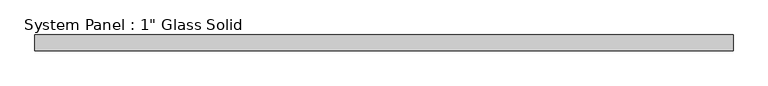
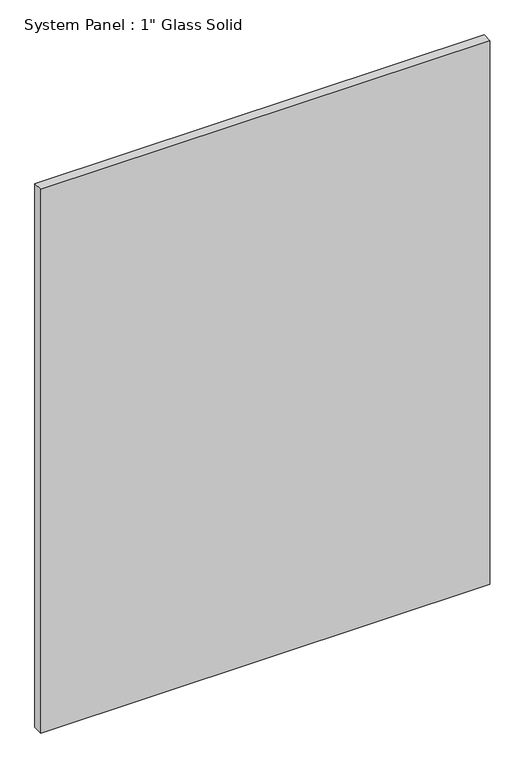
"""IFC4 building model written with IfcOpenShell, lengths in millimetres: plate geometry."""

from ifc_helpers import new_model, si_unit, origin, origin_with_axes, place, context, project, spatial, polyline, outline, extrude, source, transform, mapped, element, save


def plate_b905328e(model_context):
    return source(origin(), model_context, "Body", "SweptSolid", [
        extrude(outline(polyline([(558.2220691, -12.7), (-558.2220691, -12.7), (-558.2220691, 12.7), (558.2220691, 12.7), (558.2220691, -12.7)])), origin_with_axes(), (0.0, 0.0, 1.0), 1428.6394027),
    ])


if __name__ == "__main__":
    model = new_model("IFC4")
    model_context = context("Model", 3, world=origin())
    ifc_project = project(units=[si_unit("LENGTHUNIT", "METRE", prefix="MILLI")], contexts=[model_context])
    site = spatial("IfcSite", under=ifc_project)
    building = spatial("IfcBuilding", under=site)
    placement = place(None, origin())
    plate_shape = plate_b905328e(model_context)
    element("IfcPlate", 1, ObjectType="System Panel : 1\" Glass Solid", at=placement, inside=building, context=model_context, shape_type="MappedRepresentation", body=[
        mapped(plate_shape, transform((0.0, 0.0, 0.0), x_axis=(1.0, 0.0, 0.0), y_axis=(0.0, 1.0, 0.0), z_axis=(0.0, 0.0, 1.0))),
    ])
    save(model, "model.ifc")
